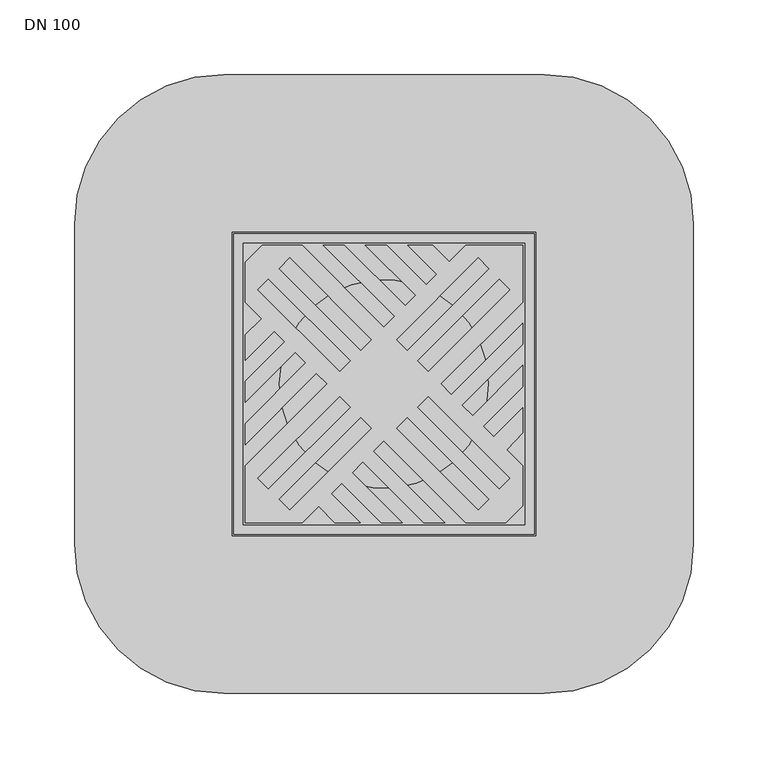
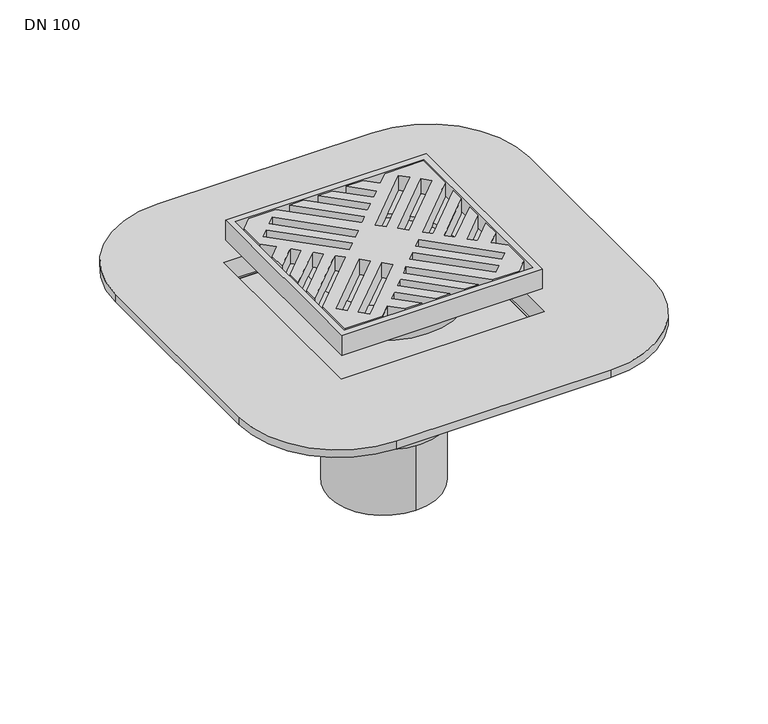
"""IFC4 building model written with IfcOpenShell, lengths in millimetres: sanitary terminal geometry, DN 100."""

from ifc_helpers import new_model, si_unit, frame, origin, place, context, project, spatial, polyline, circle_curve, outline, extrude, faceted_brep, source, transform, mapped, element, save
from ifc_brep_helpers import plane_surface, cylinder_surface, revolved_surface, advanced_brep


def dn_100_48bf5f62(model_context):
    return source(origin(), model_context, "Body", "SolidModel", [
        faceted_brep([(84.95, 84.95, -21.0), (-84.95, 84.95, -21.0), (-84.95, -84.95, -21.0), (84.95, -84.95, -21.0), (78.7, 78.7, -29.0), (78.7, -78.7, -29.0), (-78.7, -78.7, -29.0), (-78.7, 78.7, -29.0)], [[[0, 1, 2, 3]], [[4, 5, 6, 7]], [[4, 7, 1, 0]], [[7, 6, 2, 1]], [[6, 5, 3, 2]], [[5, 4, 0, 3]]]),
        advanced_brep(
        [(-75.1, 0.0, -49.0), (75.1, 0.0, -49.0), (-75.1, 0.0, -29.0), (75.1, 0.0, -29.0)],
        [
            (0, 1, circle_curve(frame((0.0, 0.0, -49.0), z_axis=(0.0, 0.0, -1.0), x_axis=(1.0, 0.0, 0.0)), 75.1)),
            (1, 0, circle_curve(frame((0.0, 0.0, -49.0), z_axis=(0.0, 0.0, -1.0), x_axis=(1.0, 0.0, 0.0)), 75.1)),
            (2, 3, circle_curve(frame((0.0, 0.0, -29.0), z_axis=(0.0, 0.0, 1.0), x_axis=(1.0, 0.0, 0.0)), 75.1)),
            (3, 2, circle_curve(frame((0.0, 0.0, -29.0), z_axis=(0.0, 0.0, 1.0), x_axis=(1.0, 0.0, 0.0)), 75.1)),
            (1, 3),
            (2, 0),
        ],
        [
            plane_surface(frame((75.1, 0.0, -49.0), z_axis=(0.0, 0.0, -1.0), x_axis=(0.0, -1.0, 0.0))),
            plane_surface(frame((75.1, 0.0, -29.0), z_axis=(0.0, 0.0, 1.0), x_axis=(0.0, 1.0, 0.0))),
            cylinder_surface(frame((0.0, 0.0, -49.0), z_axis=(0.0, 0.0, 1.0), x_axis=(1.0, 0.0, 0.0)), 75.1),
        ],
        [
            (0, [[1, 2]]),
            (1, [[3, 4]]),
            (2, [[-2, 5, -3, 6]]),
            (2, [[-1, -6, -4, -5]]),
        ],
    ),
        advanced_brep(
        [(100.75, 100.75, -21.0), (100.75, -100.75, -21.0), (-100.75, -100.75, -21.0), (-100.75, 100.75, -21.0), (-70.1, 0.0, -21.0), (70.1, 0.0, -21.0), (94.5, -94.5, -16.0), (94.5, 94.5, -16.0), (-94.5, 94.5, -16.0), (-94.5, -94.5, -16.0), (-70.1, 0.0, -16.0), (70.1, 0.0, -16.0), (100.75, 100.75, 0.0), (-100.75, 100.75, 0.0), (-100.75, -100.75, 0.0), (100.75, -100.75, 0.0), (94.5, 94.5, 0.0), (94.5, -94.5, 0.0), (-94.5, -94.5, 0.0), (-94.5, 94.5, 0.0)],
        [
            (0, 1),
            (1, 2),
            (2, 3),
            (3, 0),
            (4, 5, circle_curve(frame((0.0, 0.0, -21.0), z_axis=(0.0, 0.0, 1.0), x_axis=(1.0, 0.0, 0.0)), 70.1)),
            (5, 4, circle_curve(frame((0.0, 0.0, -21.0), z_axis=(0.0, 0.0, 1.0), x_axis=(1.0, 0.0, 0.0)), 70.1)),
            (6, 7),
            (7, 8),
            (8, 9),
            (9, 6),
            (10, 11, circle_curve(frame((0.0, 0.0, -16.0), z_axis=(0.0, 0.0, -1.0), x_axis=(1.0, 0.0, 0.0)), 70.1)),
            (11, 10, circle_curve(frame((0.0, 0.0, -16.0), z_axis=(0.0, 0.0, -1.0), x_axis=(1.0, 0.0, 0.0)), 70.1)),
            (5, 11),
            (10, 4),
            (12, 13),
            (13, 14),
            (14, 15),
            (15, 12),
            (16, 17),
            (17, 18),
            (18, 19),
            (19, 16),
            (3, 13),
            (12, 0),
            (2, 14),
            (1, 15),
            (16, 7),
            (6, 17),
            (9, 18),
            (8, 19),
        ],
        [
            plane_surface(frame((-94.5, 94.5, -21.0), z_axis=(0.0, 0.0, -1.0), x_axis=(1.0, 0.0, 0.0))),
            plane_surface(frame((-94.5, 94.5, -16.0), z_axis=(0.0, 0.0, 1.0), x_axis=(-1.0, 0.0, 0.0))),
            revolved_surface(polyline([(70.1, 0.0, -21.0), (70.1, 0.0, -16.0)]), (0.0, 0.0, -29.0), (0.0, 0.0, -1.0)),
            plane_surface(frame((-100.75, 100.75, 0.0), z_axis=(0.0, 0.0, 1.0), x_axis=(-1.0, 0.0, 0.0))),
            plane_surface(frame((100.75, 100.75, 0.0), z_axis=(0.0, 1.0, 0.0), x_axis=(0.0, 0.0, -1.0))),
            plane_surface(frame((-100.75, 100.75, 0.0), z_axis=(-1.0, 0.0, 0.0), x_axis=(0.0, 0.0, -1.0))),
            plane_surface(frame((-100.75, -100.75, 0.0), z_axis=(0.0, -1.0, 0.0), x_axis=(0.0, 0.0, -1.0))),
            plane_surface(frame((100.75, -100.75, 0.0), z_axis=(1.0, 0.0, 0.0), x_axis=(0.0, 0.0, -1.0))),
            plane_surface(frame((94.5, 94.5, 0.0), z_axis=(-1.0, 0.0, 0.0), x_axis=(0.0, 0.0, -1.0))),
            plane_surface(frame((94.5, -94.5, 0.0), z_axis=(0.0, 1.0, 0.0), x_axis=(0.0, 0.0, -1.0))),
            plane_surface(frame((-94.5, -94.5, 0.0), z_axis=(1.0, 0.0, 0.0), x_axis=(0.0, 0.0, -1.0))),
            plane_surface(frame((-94.5, 94.5, 0.0), z_axis=(0.0, -1.0, 0.0), x_axis=(0.0, 0.0, -1.0))),
        ],
        [
            (0, [[1, 2, 3, 4], [5, 6]]),
            (1, [[7, 8, 9, 10], [11, 12]]),
            (2, [[-6, 13, -11, 14]]),
            (2, [[-5, -14, -12, -13]]),
            (3, [[15, 16, 17, 18], [19, 20, 21, 22]]),
            (4, [[-4, 23, -15, 24]]),
            (5, [[-3, 25, -16, -23]]),
            (6, [[-2, 26, -17, -25]]),
            (7, [[-1, -24, -18, -26]]),
            (8, [[-19, 27, -7, 28]]),
            (9, [[-20, -28, -10, 29]]),
            (10, [[-21, -29, -9, 30]]),
            (11, [[-22, -30, -8, -27]]),
        ],
    ),
        extrude(outline(polyline([(-93.0166638, -40.6740982), (-93.0166638, -26.5319626), (-52.3425656, 14.1421356), (-59.4136335, 21.2132034), (-93.0166638, -12.3898269), (-93.0166638, 1.7523087), (-66.4847013, 28.2842712), (-73.5557691, 35.3553391), (-93.0166638, 15.8944443), (-93.0166638, 32.8650071), (-82.0410505, 43.8406204), (-93.0166638, 54.8162338), (-93.0166638, 81.7029553), (-81.7029553, 93.0166638), (-54.8328977, 93.0166638), (0.0, 38.1837662), (7.0710678, 45.254834), (-40.690762, 93.0166638), (-26.5486264, 93.0166638), (14.1421356, 52.3259018), (21.2132034, 59.3969696), (-12.3898269, 93.0), (1.7523087, 93.0), (28.2842712, 66.4680374), (35.3553391, 73.5391052), (15.8944443, 93.0), (32.8650071, 93.0), (43.8406204, 82.0243866), (54.8162338, 93.0), (93.0, 93.0), (93.0, 54.8162338), (38.1837662, 0.0), (45.254834, -7.0710678), (93.0, 40.6740982), (93.0, 26.5319626), (52.3259018, -14.1421356), (59.3969696, -21.2132034), (93.0, 12.3898269), (93.0, -1.7523087), (66.4680374, -28.2842712), (73.5391052, -35.3553391), (93.0, -15.8944443), (93.0, -32.6426597), (82.3093846, -44.1256185), (93.0, -54.8353654), (93.0, -81.7029553), (81.6862915, -93.0166638), (54.8162338, -93.0166638), (0.0, -38.20043), (-7.0710678, -45.2714978), (40.6740982, -93.0166638), (26.5319626, -93.0166638), (-14.1587995, -52.3259018), (-21.2298673, -59.3969696), (12.3898269, -93.0166638), (-1.7523087, -93.0166638), (-28.3009351, -66.4680374), (-35.3720029, -73.5391052), (-15.8944443, -93.0166638), (-32.8816709, -93.0166638), (-43.8572843, -82.0410505), (-54.8328977, -93.0166638), (-93.0166638, -93.0166638), (-93.0166638, -54.8162338), (-38.20043, 0.0), (-45.2714978, 7.0710678), (-93.0166638, -40.6740982)]), holes=[polyline([(22.627417, 15.5563492), (29.6984848, 8.4852814), (84.4992604, 63.2860569), (77.4281925, 70.3571247), (22.627417, 15.5563492)]), polyline([(63.2860569, 84.4992604), (8.4852814, 29.6984848), (15.5563492, 22.627417), (70.3571247, 77.4281925), (63.2860569, 84.4992604)]), polyline([(-22.6440808, -15.5538815), (-29.7151487, -8.4852814), (-84.5159242, -63.3051885), (-77.4448564, -70.3737886), (-22.6440808, -15.5538815)]), polyline([(-63.3027208, -84.5159242), (-8.5019452, -29.7151487), (-15.573013, -22.6440808), (-70.3737886, -77.4448564), (-63.3027208, -84.5159242)]), polyline([(-84.5159242, 63.2860569), (-29.7151487, 8.4852814), (-22.6440808, 15.5563492), (-77.4448564, 70.3571247), (-84.5159242, 63.2860569)]), polyline([(-15.573013, 22.627417), (-8.5019452, 29.6984848), (-63.3027208, 84.4992604), (-70.3737886, 77.4281925), (-15.573013, 22.627417)]), polyline([(84.4992604, -63.3051885), (29.6984848, -8.4852814), (22.627417, -15.5538815), (77.4281925, -70.3737886), (84.4992604, -63.3051885)]), polyline([(15.5563492, -22.6440808), (8.4852814, -29.7151487), (63.2860569, -84.5159242), (70.3571247, -77.4448564), (15.5563492, -22.6440808)])]), frame((0.0, 0.0, -16.0), z_axis=(0.0, 0.0, 1.0), x_axis=(1.0, 0.0, 0.0)), (0.0, 0.0, 1.0), 16.0),
        advanced_brep(
        [(91.5703282, -91.5703282, -99.0), (77.4281925, -77.4281925, -99.0), (93.3380951, -93.3380951, -74.0), (75.6604256, -75.6604256, -74.0)],
        [
            (0, 1, circle_curve(frame((84.4992604, -84.4992604, -99.0), z_axis=(0.0, 0.0, -1.0), x_axis=(0.7071067811865507, -0.7071067811865442, 0.0)), 10.0)),
            (1, 0, circle_curve(frame((84.4992604, -84.4992604, -99.0), z_axis=(0.0, 0.0, -1.0), x_axis=(-0.7071067811865456, 0.7071067811865493, 0.0)), 10.0)),
            (2, 3, circle_curve(frame((84.4992604, -84.4992604, -74.0), z_axis=(0.0, 0.0, 1.0), x_axis=(-0.7071067811865456, 0.7071067811865493, 0.0)), 12.5)),
            (3, 2, circle_curve(frame((84.4992604, -84.4992604, -74.0), z_axis=(0.0, 0.0, 1.0), x_axis=(0.7071067811865507, -0.7071067811865442, 0.0)), 12.5)),
            (3, 1),
            (0, 2),
        ],
        [
            plane_surface(frame((84.4992604, -84.4992604, -99.0), z_axis=(0.0, 0.0, -1.0), x_axis=(-0.7071067811865451, -0.7071067811865499, 0.0))),
            plane_surface(frame((84.4992604, -84.4992604, -74.0), z_axis=(0.0, 0.0, 1.0), x_axis=(-0.7071067811865451, -0.7071067811865499, 0.0))),
            revolved_surface(polyline([(91.57032816, -91.57032816, -99.0), (93.3380951, -93.3380951, -74.0)]), (84.4992604, -84.4992604, -199.0), (0.0, 0.0, 1.0)),
            revolved_surface(polyline([(77.42819256, -77.42819256, -99.0), (75.6604256, -75.6604256, -74.0)]), (84.4992604, -84.4992604, -199.0), (0.0, 0.0, 1.0)),
        ],
        [
            (0, [[1, 2]]),
            (1, [[3, 4]]),
            (2, [[-4, 5, -1, 6]]),
            (3, [[-3, -6, -2, -5]]),
        ],
    ),
        advanced_brep(
        [(-91.5703282, -91.5703282, -99.0), (-77.4281925, -77.4281925, -99.0), (-93.3380951, -93.3380951, -74.0), (-75.6604256, -75.6604256, -74.0)],
        [
            (0, 1, circle_curve(frame((-84.4992604, -84.4992604, -99.0), z_axis=(0.0, 0.0, -1.0), x_axis=(-0.7071067811865477, -0.7071067811865472, 0.0)), 10.0)),
            (1, 0, circle_curve(frame((-84.4992604, -84.4992604, -99.0), z_axis=(0.0, 0.0, -1.0), x_axis=(0.7071067811865444, 0.7071067811865506, 0.0)), 10.0)),
            (2, 3, circle_curve(frame((-84.4992604, -84.4992604, -74.0), z_axis=(0.0, 0.0, 1.0), x_axis=(0.7071067811865444, 0.7071067811865506, 0.0)), 12.5)),
            (3, 2, circle_curve(frame((-84.4992604, -84.4992604, -74.0), z_axis=(0.0, 0.0, 1.0), x_axis=(-0.7071067811865477, -0.7071067811865472, 0.0)), 12.5)),
            (3, 1),
            (0, 2),
        ],
        [
            plane_surface(frame((-84.4992604, -84.4992604, -99.0), z_axis=(0.0, 0.0, -1.0), x_axis=(-0.7071067811865509, 0.7071067811865441, 0.0))),
            plane_surface(frame((-84.4992604, -84.4992604, -74.0), z_axis=(0.0, 0.0, 1.0), x_axis=(-0.7071067811865509, 0.7071067811865441, 0.0))),
            revolved_surface(polyline([(-91.57032816, -91.57032816, -99.0), (-93.3380951, -93.3380951, -74.0)]), (-84.4992604, -84.4992604, -199.0), (0.0, 0.0, 1.0)),
            revolved_surface(polyline([(-77.42819256, -77.42819256, -99.0), (-75.6604256, -75.6604256, -74.0)]), (-84.4992604, -84.4992604, -199.0), (0.0, 0.0, 1.0)),
        ],
        [
            (0, [[1, 2]]),
            (1, [[3, 4]]),
            (2, [[-4, 5, -1, 6]]),
            (3, [[-3, -6, -2, -5]]),
        ],
    ),
        advanced_brep(
        [(-91.5703282, 91.5703282, -99.0), (-77.4281925, 77.4281925, -99.0), (-93.3380951, 93.3380951, -74.0), (-75.6604256, 75.6604256, -74.0)],
        [
            (0, 1, circle_curve(frame((-84.4992604, 84.4992604, -99.0), z_axis=(0.0, 0.0, -1.0), x_axis=(-0.7071067811865472, 0.7071067811865477, 0.0)), 10.0)),
            (1, 0, circle_curve(frame((-84.4992604, 84.4992604, -99.0), z_axis=(0.0, 0.0, -1.0), x_axis=(0.7071067811865456, -0.7071067811865495, 0.0)), 10.0)),
            (2, 3, circle_curve(frame((-84.4992604, 84.4992604, -74.0), z_axis=(0.0, 0.0, 1.0), x_axis=(0.7071067811865456, -0.7071067811865495, 0.0)), 12.5)),
            (3, 2, circle_curve(frame((-84.4992604, 84.4992604, -74.0), z_axis=(0.0, 0.0, 1.0), x_axis=(-0.7071067811865472, 0.7071067811865477, 0.0)), 12.5)),
            (3, 1),
            (0, 2),
        ],
        [
            plane_surface(frame((-84.4992604, 84.4992604, -99.0), z_axis=(0.0, 0.0, -1.0), x_axis=(0.7071067811865471, 0.707106781186548, 0.0))),
            plane_surface(frame((-84.4992604, 84.4992604, -74.0), z_axis=(0.0, 0.0, 1.0), x_axis=(0.7071067811865471, 0.707106781186548, 0.0))),
            revolved_surface(polyline([(-91.57032816, 91.57032816, -99.0), (-93.3380951, 93.3380951, -74.0)]), (-84.4992604, 84.4992604, -199.0), (0.0, 0.0, 1.0)),
            revolved_surface(polyline([(-77.42819256, 77.42819256, -99.0), (-75.6604256, 75.6604256, -74.0)]), (-84.4992604, 84.4992604, -199.0), (0.0, 0.0, 1.0)),
        ],
        [
            (0, [[1, 2]]),
            (1, [[3, 4]]),
            (2, [[-4, 5, -1, 6]]),
            (3, [[-3, -6, -2, -5]]),
        ],
    ),
        advanced_brep(
        [(91.5703282, 91.5703282, -99.0), (77.4281925, 77.4281925, -99.0), (93.3380951, 93.3380951, -74.0), (75.6604256, 75.6604256, -74.0)],
        [
            (0, 1, circle_curve(frame((84.4992604, 84.4992604, -99.0), z_axis=(0.0, 0.0, -1.0), x_axis=(0.7071067811865442, 0.7071067811865507, 0.0)), 10.0)),
            (1, 0, circle_curve(frame((84.4992604, 84.4992604, -99.0), z_axis=(0.0, 0.0, -1.0), x_axis=(-0.7071067811865477, -0.7071067811865472, 0.0)), 10.0)),
            (2, 3, circle_curve(frame((84.4992604, 84.4992604, -74.0), z_axis=(0.0, 0.0, 1.0), x_axis=(-0.7071067811865477, -0.7071067811865472, 0.0)), 12.5)),
            (3, 2, circle_curve(frame((84.4992604, 84.4992604, -74.0), z_axis=(0.0, 0.0, 1.0), x_axis=(0.7071067811865442, 0.7071067811865507, 0.0)), 12.5)),
            (3, 1),
            (0, 2),
        ],
        [
            plane_surface(frame((84.4992604, 84.4992604, -99.0), z_axis=(0.0, 0.0, -1.0), x_axis=(0.7071067811865491, -0.707106781186546, 0.0))),
            plane_surface(frame((84.4992604, 84.4992604, -74.0), z_axis=(0.0, 0.0, 1.0), x_axis=(0.7071067811865491, -0.707106781186546, 0.0))),
            revolved_surface(polyline([(91.57032816, 91.57032816, -99.0), (93.3380951, 93.3380951, -74.0)]), (84.4992604, 84.4992604, -199.0), (0.0, 0.0, 1.0)),
            revolved_surface(polyline([(77.42819256, 77.42819256, -99.0), (75.6604256, 75.6604256, -74.0)]), (84.4992604, 84.4992604, -199.0), (0.0, 0.0, 1.0)),
        ],
        [
            (0, [[1, 2]]),
            (1, [[3, 4]]),
            (2, [[-4, 5, -1, 6]]),
            (3, [[-3, -6, -2, -5]]),
        ],
    ),
        advanced_brep(
        [(101.87, -101.87, -66.0), (101.87, 101.87, -66.0), (-101.87, 101.87, -66.0), (-101.87, -101.87, -66.0), (100.0, 100.0, -66.0), (100.0, -100.0, -66.0), (-100.0, -100.0, -66.0), (-100.0, 100.0, -66.0), (107.33, 107.33, -74.0), (107.33, -107.33, -74.0), (-107.33, -107.33, -74.0), (-107.33, 107.33, -74.0), (100.0, 100.0, -74.0), (-100.0, 100.0, -74.0), (-100.0, -100.0, -74.0), (100.0, -100.0, -74.0), (-107.33, 107.33, -53.0), (107.33, 107.33, -53.0), (-107.33, -107.33, -53.0), (107.33, -107.33, -53.0), (101.87, -101.87, -45.0), (101.87, 101.87, -45.0), (-101.87, -101.87, -45.0), (-101.87, 101.87, -45.0), (107.5, 207.5, -45.0), (-107.5, 207.5, -45.0), (-207.5, 107.5, -45.0), (-207.5, -107.5, -45.0), (-107.5, -207.5, -45.0), (107.5, -207.5, -45.0), (207.5, -107.5, -45.0), (207.5, 107.5, -45.0), (107.5, 207.5, -53.0), (207.5, 107.5, -53.0), (207.5, -107.5, -53.0), (107.5, -207.5, -53.0), (-107.5, -207.5, -53.0), (-207.5, -107.5, -53.0), (-207.5, 107.5, -53.0), (-107.5, 207.5, -53.0)],
        [
            (0, 1),
            (1, 2),
            (2, 3),
            (3, 0),
            (4, 5),
            (5, 6),
            (6, 7),
            (7, 4),
            (8, 9),
            (9, 10),
            (10, 11),
            (11, 8),
            (12, 13),
            (13, 14),
            (14, 15),
            (15, 12),
            (4, 12),
            (15, 5),
            (14, 6),
            (13, 7),
            (11, 16),
            (16, 17),
            (17, 8),
            (10, 18),
            (18, 16),
            (9, 19),
            (19, 18),
            (17, 19),
            (0, 20),
            (20, 21),
            (21, 1),
            (3, 22),
            (22, 20),
            (2, 23),
            (23, 22),
            (21, 23),
            (24, 25),
            (25, 26, circle_curve(frame((-107.5, 107.5, -45.0), z_axis=(0.0, 0.0, 1.0), x_axis=(1.0, 0.0, 0.0)), 100.0)),
            (26, 27),
            (27, 28, circle_curve(frame((-107.5, -107.5, -45.0), z_axis=(0.0, 0.0, 1.0), x_axis=(1.0, 0.0, 0.0)), 100.0)),
            (28, 29),
            (29, 30, circle_curve(frame((107.5, -107.5, -45.0), z_axis=(0.0, 0.0, 1.0), x_axis=(1.0, 0.0, 0.0)), 100.0)),
            (30, 31),
            (31, 24, circle_curve(frame((107.5, 107.5, -45.0), z_axis=(0.0, 0.0, 1.0), x_axis=(1.0, 0.0, 0.0)), 100.0)),
            (32, 33, circle_curve(frame((107.5, 107.5, -53.0), z_axis=(0.0, 0.0, -1.0), x_axis=(1.0, 0.0, 0.0)), 100.0)),
            (33, 34),
            (34, 35, circle_curve(frame((107.5, -107.5, -53.0), z_axis=(0.0, 0.0, -1.0), x_axis=(1.0, 0.0, 0.0)), 100.0)),
            (35, 36),
            (36, 37, circle_curve(frame((-107.5, -107.5, -53.0), z_axis=(0.0, 0.0, -1.0), x_axis=(1.0, 0.0, 0.0)), 100.0)),
            (37, 38),
            (38, 39, circle_curve(frame((-107.5, 107.5, -53.0), z_axis=(0.0, 0.0, -1.0), x_axis=(1.0, 0.0, 0.0)), 100.0)),
            (39, 32),
            (24, 32),
            (39, 25),
            (38, 26),
            (37, 27),
            (36, 28),
            (35, 29),
            (34, 30),
            (33, 31),
        ],
        [
            plane_surface(frame((100.0, 100.0, -66.0), z_axis=(0.0, 0.0, 1.0), x_axis=(0.0, -1.0, 0.0))),
            plane_surface(frame((100.0, 100.0, -74.0), z_axis=(0.0, 0.0, -1.0), x_axis=(0.0, 1.0, 0.0))),
            plane_surface(frame((100.0, 100.0, -66.0), z_axis=(-1.0, 0.0, 0.0), x_axis=(0.0, 0.0, -1.0))),
            plane_surface(frame((100.0, -100.0, -66.0), z_axis=(0.0, 1.0, 0.0), x_axis=(0.0, 0.0, -1.0))),
            plane_surface(frame((-100.0, -100.0, -66.0), z_axis=(1.0, 0.0, 0.0), x_axis=(0.0, 0.0, -1.0))),
            plane_surface(frame((-100.0, 100.0, -66.0), z_axis=(0.0, -1.0, 0.0), x_axis=(0.0, 0.0, -1.0))),
            plane_surface(frame((107.33, 107.33, -66.0), z_axis=(0.0, 1.0, 0.0), x_axis=(0.0, 0.0, -1.0))),
            plane_surface(frame((-107.33, 107.33, -66.0), z_axis=(-1.0, 0.0, 0.0), x_axis=(0.0, 0.0, -1.0))),
            plane_surface(frame((-107.33, -107.33, -66.0), z_axis=(0.0, -1.0, 0.0), x_axis=(0.0, 0.0, -1.0))),
            plane_surface(frame((107.33, -107.33, -66.0), z_axis=(1.0, 0.0, 0.0), x_axis=(0.0, 0.0, -1.0))),
            plane_surface(frame((101.87, 101.87, -53.0), z_axis=(-1.0, 0.0, 0.0), x_axis=(0.0, 0.0, -1.0))),
            plane_surface(frame((101.87, -101.87, -53.0), z_axis=(0.0, 1.0, 0.0), x_axis=(0.0, 0.0, -1.0))),
            plane_surface(frame((-101.87, -101.87, -53.0), z_axis=(1.0, 0.0, 0.0), x_axis=(0.0, 0.0, -1.0))),
            plane_surface(frame((-101.87, 101.87, -53.0), z_axis=(0.0, -1.0, 0.0), x_axis=(0.0, 0.0, -1.0))),
            plane_surface(frame((101.87, 101.87, -45.0), z_axis=(0.0, 0.0, 1.0), x_axis=(0.0, -1.0, 0.0))),
            plane_surface(frame((101.87, 101.87, -53.0), z_axis=(0.0, 0.0, -1.0), x_axis=(0.0, 1.0, 0.0))),
            plane_surface(frame((107.5, 207.5, -45.0), z_axis=(0.0, 1.0, 0.0), x_axis=(0.0, 0.0, -1.0))),
            cylinder_surface(frame((-107.5, 107.5, -66.0), z_axis=(0.0, 0.0, 1.0), x_axis=(1.0, 0.0, 0.0)), 100.0),
            plane_surface(frame((-207.5, 107.5, -45.0), z_axis=(-1.0, 0.0, 0.0), x_axis=(0.0, 0.0, -1.0))),
            cylinder_surface(frame((-107.5, -107.5, -66.0), z_axis=(0.0, 0.0, 1.0), x_axis=(1.0, 0.0, 0.0)), 100.0),
            plane_surface(frame((-107.5, -207.5, -45.0), z_axis=(0.0, -1.0, 0.0), x_axis=(0.0, 0.0, -1.0))),
            cylinder_surface(frame((107.5, -107.5, -66.0), z_axis=(0.0, 0.0, 1.0), x_axis=(1.0, 0.0, 0.0)), 100.0),
            plane_surface(frame((207.5, -107.5, -45.0), z_axis=(1.0, 0.0, 0.0), x_axis=(0.0, 0.0, -1.0))),
            cylinder_surface(frame((107.5, 107.5, -66.0), z_axis=(0.0, 0.0, 1.0), x_axis=(1.0, 0.0, 0.0)), 100.0),
        ],
        [
            (0, [[1, 2, 3, 4], [5, 6, 7, 8]]),
            (1, [[9, 10, 11, 12], [13, 14, 15, 16]]),
            (2, [[-5, 17, -16, 18]]),
            (3, [[-6, -18, -15, 19]]),
            (4, [[-7, -19, -14, 20]]),
            (5, [[-8, -20, -13, -17]]),
            (6, [[-12, 21, 22, 23]]),
            (7, [[-11, 24, 25, -21]]),
            (8, [[-10, 26, 27, -24]]),
            (9, [[-9, -23, 28, -26]]),
            (10, [[-1, 29, 30, 31]]),
            (11, [[-29, -4, 32, 33]]),
            (12, [[-32, -3, 34, 35]]),
            (13, [[-31, 36, -34, -2]]),
            (14, [[37, 38, 39, 40, 41, 42, 43, 44], [-30, -33, -35, -36]]),
            (15, [[45, 46, 47, 48, 49, 50, 51, 52], [-22, -25, -27, -28]]),
            (16, [[-37, 53, -52, 54]]),
            (17, [[-38, -54, -51, 55]]),
            (18, [[-39, -55, -50, 56]]),
            (19, [[-40, -56, -49, 57]]),
            (20, [[-41, -57, -48, 58]]),
            (21, [[-42, -58, -47, 59]]),
            (22, [[-43, -59, -46, 60]]),
            (23, [[-44, -60, -45, -53]]),
        ],
    ),
        advanced_brep(
        [(100.0, 100.0, -66.0), (-100.0, 100.0, -66.0), (-100.0, -100.0, -66.0), (100.0, -100.0, -66.0), (100.0, 100.0, -74.0), (100.0, -100.0, -74.0), (-100.0, -100.0, -74.0), (-100.0, 100.0, -74.0), (-82.0, 0.0, -74.0), (82.0, 0.0, -74.0), (-82.0, 0.0, -99.63), (82.0, 0.0, -99.63), (67.2, 0.0, -109.98), (-67.2, 0.0, -109.98), (0.0, 55.0, -248.73), (0.0, -55.0, -248.73), (0.0, -55.0, -173.73), (0.0, 55.0, -173.73), (-62.85, 0.0, -173.73), (62.85, 0.0, -173.73)],
        [
            (0, 1),
            (1, 2),
            (2, 3),
            (3, 0),
            (4, 5),
            (5, 6),
            (6, 7),
            (7, 4),
            (8, 9, circle_curve(frame((0.0, 0.0, -74.0), z_axis=(0.0, 0.0, 1.0), x_axis=(1.0, 0.0, 0.0)), 82.0)),
            (9, 8, circle_curve(frame((0.0, 0.0, -74.0), z_axis=(0.0, 0.0, 1.0), x_axis=(1.0, 0.0, 0.0)), 82.0)),
            (8, 10),
            (10, 11, circle_curve(frame((0.0, 0.0, -99.63), z_axis=(0.0, 0.0, 1.0), x_axis=(1.0, 0.0, 0.0)), 82.0)),
            (11, 9),
            (11, 10, circle_curve(frame((0.0, 0.0, -99.63), z_axis=(0.0, 0.0, 1.0), x_axis=(1.0, 0.0, 0.0)), 82.0)),
            (12, 11),
            (10, 13),
            (13, 12, circle_curve(frame((0.0, 0.0, -109.98), z_axis=(0.0, 0.0, 1.0), x_axis=(-1.0, 0.0, 0.0)), 67.2)),
            (12, 13, circle_curve(frame((0.0, 0.0, -109.98), z_axis=(0.0, 0.0, 1.0), x_axis=(1.0, 0.0, 0.0)), 67.2)),
            (14, 15, circle_curve(frame((0.0, 0.0, -248.73), z_axis=(0.0, 0.0, -1.0), x_axis=(0.0, -1.0, 0.0)), 55.0)),
            (15, 14, circle_curve(frame((0.0, 0.0, -248.73), z_axis=(0.0, 0.0, -1.0), x_axis=(0.0, -1.0, 0.0)), 55.0)),
            (15, 16),
            (16, 17, circle_curve(frame((0.0, 0.0, -173.73), z_axis=(0.0, 0.0, -1.0), x_axis=(0.0, -1.0, 0.0)), 55.0)),
            (17, 14),
            (17, 16, circle_curve(frame((0.0, 0.0, -173.73), z_axis=(0.0, 0.0, -1.0), x_axis=(0.0, -1.0, 0.0)), 55.0)),
            (18, 19, circle_curve(frame((0.0, 0.0, -173.73), z_axis=(0.0, 0.0, -1.0), x_axis=(1.0, 0.0, 0.0)), 62.85)),
            (19, 18, circle_curve(frame((0.0, 0.0, -173.73), z_axis=(0.0, 0.0, -1.0), x_axis=(-1.0, 0.0, 0.0)), 62.85)),
            (19, 12),
            (13, 18),
            (0, 4),
            (7, 1),
            (6, 2),
            (5, 3),
        ],
        [
            plane_surface(frame((-100.0, 100.0, -66.0), z_axis=(0.0, 0.0, 1.0), x_axis=(-1.0, 0.0, 0.0))),
            plane_surface(frame((-100.0, 100.0, -74.0), z_axis=(0.0, 0.0, -1.0), x_axis=(1.0, 0.0, 0.0))),
            cylinder_surface(frame((0.0, 0.0, -99.63), z_axis=(0.0, 0.0, 1.0), x_axis=(1.0, 0.0, 0.0)), 82.0),
            revolved_surface(polyline([(67.20000000139505, 0.0, -109.98), (82.0, 0.0, -99.63)]), (0.0, 0.0, -156.9745946), (0.0, 0.0, 1.0)),
            plane_surface(frame((0.0, -55.0, -248.73), z_axis=(0.0, 0.0, -1.0), x_axis=(-1.0, 0.0, 0.0))),
            cylinder_surface(frame((0.0, 0.0, -248.73), z_axis=(0.0, 0.0, 1.0), x_axis=(0.0, -1.0, 0.0)), 55.0),
            plane_surface(frame((0.0, 0.0, -173.73), z_axis=(0.0, 0.0, -1.0), x_axis=(0.0, -1.0, 0.0))),
            revolved_surface(polyline([(62.84999999996954, 0.0, -173.73000000000002), (67.2, 0.0, -109.98000000000002)]), (0.0, 0.0, -1094.8075862), (0.0, 0.0, 1.0)),
            revolved_surface(polyline([(-62.84999999996954, 0.0, -173.73000000000002), (-67.2, 0.0, -109.98000000000002)]), (0.0, 0.0, -1094.8075862), (0.0, 0.0, 1.0)),
            plane_surface(frame((100.0, 100.0, -66.0), z_axis=(0.0, 1.0, 0.0), x_axis=(0.0, 0.0, -1.0))),
            plane_surface(frame((-100.0, 100.0, -66.0), z_axis=(-1.0, 0.0, 0.0), x_axis=(0.0, 0.0, -1.0))),
            plane_surface(frame((-100.0, -100.0, -66.0), z_axis=(0.0, -1.0, 0.0), x_axis=(0.0, 0.0, -1.0))),
            plane_surface(frame((100.0, -100.0, -66.0), z_axis=(1.0, 0.0, 0.0), x_axis=(0.0, 0.0, -1.0))),
        ],
        [
            (0, [[1, 2, 3, 4]]),
            (1, [[5, 6, 7, 8], [9, 10]]),
            (2, [[11, 12, 13, -9]]),
            (2, [[-11, -10, -13, 14]]),
            (3, [[15, -12, 16, 17]]),
            (3, [[-15, 18, -16, -14]]),
            (4, [[19, 20]]),
            (5, [[-20, 21, 22, 23]]),
            (5, [[-19, -23, 24, -21]]),
            (6, [[25, 26], [-22, -24]]),
            (7, [[-26, 27, -17, 28]]),
            (8, [[-25, -28, -18, -27]]),
            (9, [[-1, 29, -8, 30]]),
            (10, [[-2, -30, -7, 31]]),
            (11, [[-3, -31, -6, 32]]),
            (12, [[-4, -32, -5, -29]]),
        ],
    ),
    ])


if __name__ == "__main__":
    model = new_model("IFC4")
    model_context = context("Model", 3, world=origin())
    ifc_project = project(units=[si_unit("LENGTHUNIT", "METRE", prefix="MILLI")], contexts=[model_context])
    site = spatial("IfcSite", under=ifc_project)
    building = spatial("IfcBuilding", under=site)
    placement = place(None, origin())
    dn_100_shape = dn_100_48bf5f62(model_context)
    element("IfcSanitaryTerminal", 1, ObjectType="DN 100", at=placement, inside=building, context=model_context, shape_type="MappedRepresentation", body=[
        mapped(dn_100_shape, transform((0.0, 0.0, 0.0), x_axis=(1.0, 0.0, 0.0), y_axis=(0.0, 1.0, 0.0), z_axis=(0.0, 0.0, 1.0))),
    ])
    save(model, "model.ifc")
